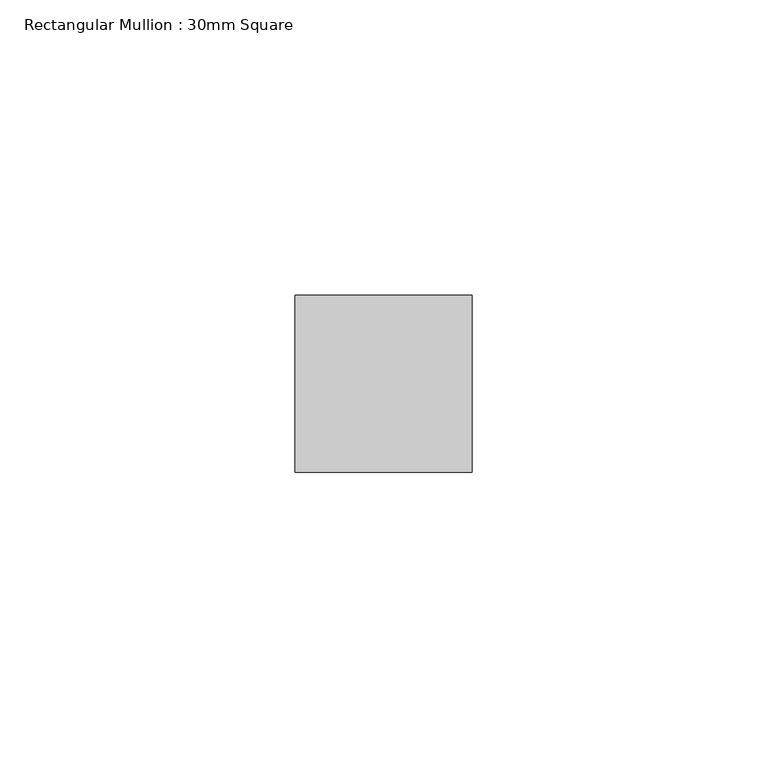
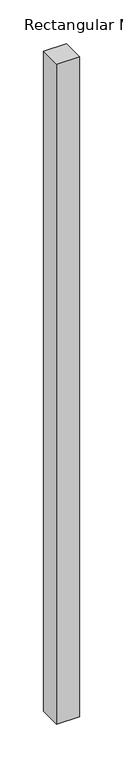
"""IFC4 building model written with IfcOpenShell, lengths in millimetres: member geometry, Rectangular Mullion : 30mm Square."""

from ifc_helpers import new_model, si_unit, frame, origin, place, context, project, spatial, polyline, outline, extrude, source, transform, mapped, element, save


def rectangular_mullion_30mm_square_2b240a52(model_context):
    return source(origin(), model_context, "Body", "SweptSolid", [
        extrude(outline(polyline([(0.0, 15.0), (0.0, -15.0), (-30.0, -15.0), (-30.0, 15.0), (0.0, 15.0)])), frame((0.0, 0.0, -920.4156789), z_axis=(0.0, 0.0, 1.0), x_axis=(1.0, 0.0, 0.0)), (0.0, 0.0, 1.0), 920.4156789),
    ])


if __name__ == "__main__":
    model = new_model("IFC4")
    model_context = context("Model", 3, world=origin())
    ifc_project = project(units=[si_unit("LENGTHUNIT", "METRE", prefix="MILLI")], contexts=[model_context])
    site = spatial("IfcSite", under=ifc_project)
    building = spatial("IfcBuilding", under=site)
    placement = place(None, origin())
    rectangular_mullion_30mm_square_shape = rectangular_mullion_30mm_square_2b240a52(model_context)
    element("IfcMember", 1, ObjectType="Rectangular Mullion : 30mm Square", at=placement, inside=building, context=model_context, shape_type="MappedRepresentation", body=[
        mapped(rectangular_mullion_30mm_square_shape, transform((0.0, 0.0, 0.0), x_axis=(1.0, 0.0, 0.0), y_axis=(0.0, 1.0, 0.0), z_axis=(0.0, 0.0, 1.0))),
    ])
    save(model, "model.ifc")
